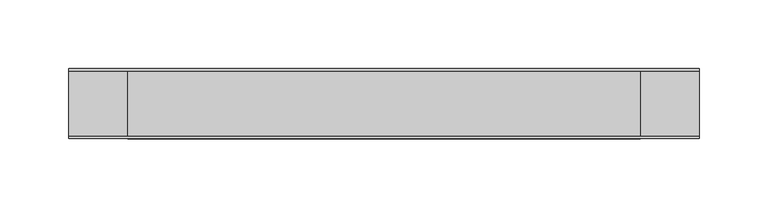
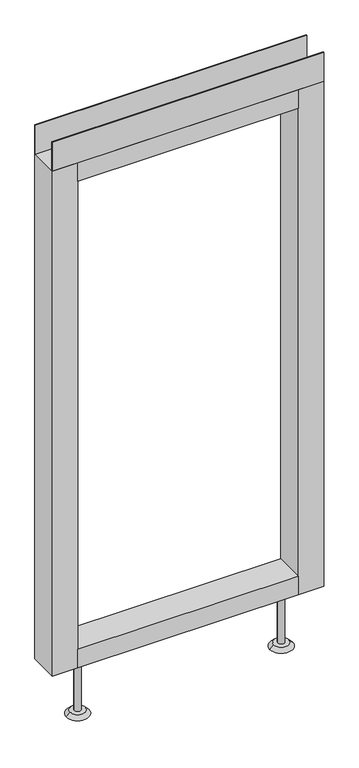
"""IFC4 building model written with IfcOpenShell, lengths in millimetres: furniture geometry."""

from ifc_helpers import new_model, si_unit, point, frame, frame_2d, origin, place, context, project, spatial, polyline, circle_curve, trimmed, segment, composite_curve, outline, extrude, source, transform, mapped, element, save
from ifc_brep_helpers import plane_surface, revolved_surface, advanced_brep


def furniture_0368fd8e(model_context):
    return source(origin(), model_context, "Body", "SolidModel", [
        advanced_brep(
        [(158.75, 0.0, 6.35), (184.15, 0.0, 6.35), (152.4, 0.0, 0.0), (190.5, 0.0, 0.0)],
        [
            (0, 1, circle_curve(frame((171.45, 0.0, 6.35), z_axis=(0.0, 0.0, 1.0), x_axis=(-1.0, 0.0, 0.0)), 12.7)),
            (1, 0, circle_curve(frame((171.45, 0.0, 6.35), z_axis=(0.0, 0.0, 1.0), x_axis=(1.0, 0.0, 0.0)), 12.7)),
            (2, 3, circle_curve(frame((171.45, 0.0, 0.0), z_axis=(0.0, 0.0, -1.0), x_axis=(1.0, 0.0, 0.0)), 19.05)),
            (3, 2, circle_curve(frame((171.45, 0.0, 0.0), z_axis=(0.0, 0.0, -1.0), x_axis=(-1.0, 0.0, 0.0)), 19.05)),
            (3, 1),
            (0, 2),
        ],
        [
            plane_surface(frame((171.45, 0.0, 6.35), z_axis=(0.0, 0.0, 1.0), x_axis=(0.0, -1.0, 0.0))),
            plane_surface(frame((171.45, 0.0, 0.0), z_axis=(0.0, 0.0, -1.0), x_axis=(0.0, -1.0, 0.0))),
            revolved_surface(polyline([(158.75, 0.0, 6.35), (152.4, 0.0, 0.0)]), (171.45, 0.0, 19.05), (0.0, 0.0, -1.0)),
            revolved_surface(polyline([(184.15, 0.0, 6.35), (190.5, 0.0, 0.0)]), (171.45, 0.0, 19.05), (0.0, 0.0, -1.0)),
        ],
        [
            (0, [[1, 2]]),
            (1, [[3, 4]]),
            (2, [[-4, 5, -1, 6]]),
            (3, [[-3, -6, -2, -5]]),
        ],
    ),
        advanced_brep(
        [(-184.15, 0.0, 6.35), (-158.75, 0.0, 6.35), (-190.5, 0.0, 0.0), (-152.4, 0.0, 0.0)],
        [
            (0, 1, circle_curve(frame((-171.45, 0.0, 6.35), z_axis=(0.0, 0.0, 1.0), x_axis=(-1.0, 0.0, 0.0)), 12.7)),
            (1, 0, circle_curve(frame((-171.45, 0.0, 6.35), z_axis=(0.0, 0.0, 1.0), x_axis=(1.0, 0.0, 0.0)), 12.7)),
            (2, 3, circle_curve(frame((-171.45, 0.0, 0.0), z_axis=(0.0, 0.0, -1.0), x_axis=(1.0, 0.0, 0.0)), 19.05)),
            (3, 2, circle_curve(frame((-171.45, 0.0, 0.0), z_axis=(0.0, 0.0, -1.0), x_axis=(-1.0, 0.0, 0.0)), 19.05)),
            (3, 1),
            (0, 2),
        ],
        [
            plane_surface(frame((-171.45, 0.0, 6.35), z_axis=(0.0, 0.0, 1.0), x_axis=(0.0, -1.0, 0.0))),
            plane_surface(frame((-171.45, 0.0, 0.0), z_axis=(0.0, 0.0, -1.0), x_axis=(0.0, -1.0, 0.0))),
            revolved_surface(polyline([(-184.15, 0.0, 6.35), (-190.5, 0.0, 0.0)]), (-171.45, 0.0, 19.05), (0.0, 0.0, -1.0)),
            revolved_surface(polyline([(-158.75, 0.0, 6.35), (-152.4, 0.0, 0.0)]), (-171.45, 0.0, 19.05), (0.0, 0.0, -1.0)),
        ],
        [
            (0, [[1, 2]]),
            (1, [[3, 4]]),
            (2, [[-4, 5, -1, 6]]),
            (3, [[-3, -6, -2, -5]]),
        ],
    ),
        extrude(outline(polyline([(228.6, -23.8125), (228.6, -25.4), (-228.6, -25.4), (-228.6, -23.8125), (228.6, -23.8125)])), frame((0.0, 0.0, 1000.633), z_axis=(0.0, 0.0, 1.0), x_axis=(1.0, 0.0, 0.0)), (0.0, 0.0, 1.0), 51.435),
        extrude(outline(polyline([(228.6, 25.4), (228.6, 23.8125), (-228.6, 23.8125), (-228.6, 25.4), (228.6, 25.4)])), frame((0.0, 0.0, 1000.633), z_axis=(0.0, 0.0, 1.0), x_axis=(1.0, 0.0, 0.0)), (0.0, 0.0, 1.0), 51.435),
        extrude(outline(polyline([(185.7375, -25.4), (-185.7375, -25.4), (-185.7375, 25.4), (185.7375, 25.4), (185.7375, -25.4)])), frame((0.0, 0.0, 967.74), z_axis=(0.0, 0.0, 1.0), x_axis=(1.0, 0.0, 0.0)), (0.0, 0.0, 1.0), 32.893),
        extrude(outline(polyline([(185.7375, -25.4), (-185.7375, -25.4), (-185.7375, 25.4), (185.7375, 25.4), (185.7375, -25.4)])), frame((0.0, 0.0, 101.6), z_axis=(0.0, 0.0, 1.0), x_axis=(1.0, 0.0, 0.0)), (0.0, 0.0, 1.0), 32.893),
        extrude(outline(composite_curve([segment(trimmed(circle_curve(frame_2d((-171.45, 0.0)), 5.55625), [point((-177.00625, 0.0))], [point((-165.89375, 0.0))], False, "CARTESIAN"), True, "CONTINUOUS"), segment(trimmed(circle_curve(frame_2d((-171.45, 0.0)), 5.55625), [point((-165.89375, 0.0))], [point((-177.00625, 0.0))], False, "CARTESIAN"), True, "CONTINUOUS")], self_intersect=False)), frame((0.0, 0.0, 6.35), z_axis=(0.0, 0.0, 1.0), x_axis=(1.0, 0.0, 0.0)), (0.0, 0.0, 1.0), 95.25),
        extrude(outline(composite_curve([segment(trimmed(circle_curve(frame_2d((171.45, 0.0)), 5.55625), [point((165.89375, 0.0))], [point((177.00625, 0.0))], False, "CARTESIAN"), True, "CONTINUOUS"), segment(trimmed(circle_curve(frame_2d((171.45, 0.0)), 5.55625), [point((177.00625, 0.0))], [point((165.89375, 0.0))], False, "CARTESIAN"), True, "CONTINUOUS")], self_intersect=False)), frame((0.0, 0.0, 6.35), z_axis=(0.0, 0.0, 1.0), x_axis=(1.0, 0.0, 0.0)), (0.0, 0.0, 1.0), 95.25),
        extrude(outline(polyline([(-185.7375, -25.4), (-228.6, -25.4), (-228.6, 25.4), (-185.7375, 25.4), (-185.7375, -25.4)])), frame((0.0, 0.0, 101.6), z_axis=(0.0, 0.0, 1.0), x_axis=(1.0, 0.0, 0.0)), (0.0, 0.0, 1.0), 899.033),
        extrude(outline(polyline([(228.6, -25.4), (185.7375, -25.4), (185.7375, 25.4), (228.6, 25.4), (228.6, -25.4)])), frame((0.0, 0.0, 101.6), z_axis=(0.0, 0.0, 1.0), x_axis=(1.0, 0.0, 0.0)), (0.0, 0.0, 1.0), 899.033),
    ])


if __name__ == "__main__":
    model = new_model("IFC4")
    model_context = context("Model", 3, world=origin())
    ifc_project = project(units=[si_unit("LENGTHUNIT", "METRE", prefix="MILLI")], contexts=[model_context])
    site = spatial("IfcSite", under=ifc_project)
    building = spatial("IfcBuilding", under=site)
    placement = place(None, origin())
    furniture_shape = furniture_0368fd8e(model_context)
    element("IfcFurniture", 1, at=placement, inside=building, context=model_context, shape_type="MappedRepresentation", body=[
        mapped(furniture_shape, transform((0.0, 0.0, 0.0), x_axis=(1.0, 0.0, 0.0), y_axis=(0.0, 1.0, 0.0), z_axis=(0.0, 0.0, 1.0))),
    ])
    save(model, "model.ifc")
